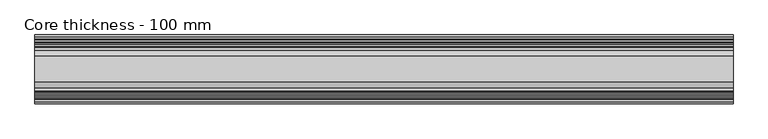
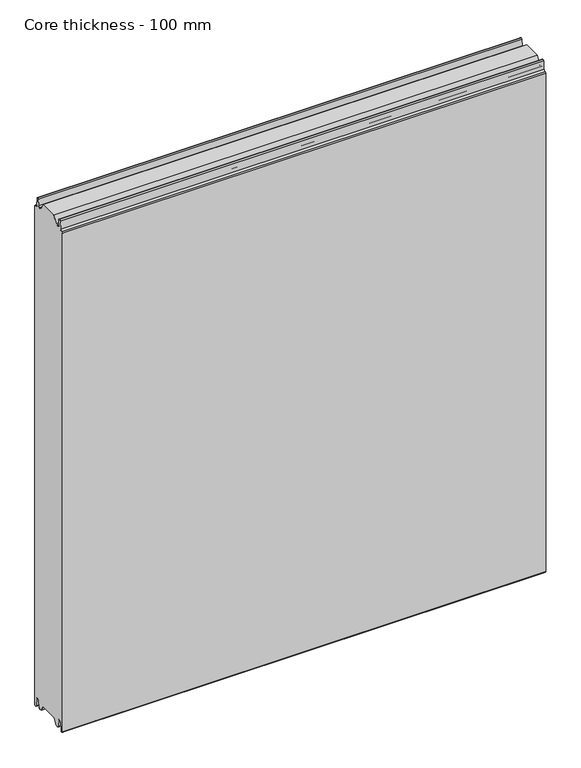
"""IFC4 building model written with IfcOpenShell, lengths in millimetres: plate geometry, Core thickness - 100 mm."""

from ifc_helpers import new_model, si_unit, frame, origin, place, context, project, spatial, polyline, circle_curve, source, transform, mapped, element, save
from ifc_brep_helpers import plane_surface, cylinder_surface, revolved_surface, advanced_brep


def core_thickness_100_mm_695577f8(model_context):
    return source(origin(), model_context, "Body", "AdvancedBrep", [
        advanced_brep(
        [(500.0000002, -69.873448, 15.0417681), (500.0000002, -30.126552, 15.0417681), (500.0000002, -23.4086055, 3.0684055), (500.0000002, -17.4169005, 3.0684055), (500.0000002, -19.6169005, 5.265779), (500.0000002, -18.8169005, 5.265779), (500.0000002, -16.0235822, 5.1291629), (500.0000002, -14.6379549, 19.2608832), (500.0000002, -10.8223285, 22.6899182), (500.0000002, -7.0067021, 19.2608832), (500.0000002, -5.3893281, 2.7656275), (500.0000002, -0.8003051, 2.9900682), (500.0000002, -0.8, 1093.8000005), (500.0000002, -3.3660185, 1096.1942726), (500.0000002, -6.8790665, 1099.1779769), (500.0000002, -8.5415667, 1116.1334653), (500.0000002, -10.8223285, 1118.1999998), (500.0000002, -13.1030903, 1116.1334653), (500.0000002, -14.4357929, 1102.5415123), (500.0000002, -17.0233841, 1100.1952279), (500.0000002, -18.1003051, 1100.1952279), (500.0000002, -18.7003051, 1099.5952279), (500.0000002, -18.7003051, 1098.4952279), (500.0000002, -19.5003051, 1098.4952279), (500.0000002, -19.5003051, 1099.5952279), (500.0000002, -18.1003051, 1100.9952279), (500.0000002, -19.5003051, 1100.9952279), (500.0000002, -23.1062917, 1100.9952279), (500.0000002, -31.1628062, 1115.044651), (500.0000002, -68.7531937, 1115.044651), (500.0000002, -76.8937083, 1100.9952279), (500.0000002, -80.4996949, 1100.9952279), (500.0000002, -81.8996949, 1100.9952279), (500.0000002, -80.4996949, 1099.5952279), (500.0000002, -80.4996949, 1098.4952279), (500.0000002, -81.2996949, 1098.4952279), (500.0000002, -81.2996949, 1099.5952279), (500.0000002, -81.8996949, 1100.1952279), (500.0000002, -82.9766159, 1100.1952279), (500.0000002, -85.5642071, 1102.5415123), (500.0000002, -86.8969097, 1116.1334653), (500.0000002, -89.1776715, 1118.1999998), (500.0000002, -91.4584333, 1116.1334653), (500.0000002, -93.1209335, 1099.1779769), (500.0000002, -96.6330399, 1096.2078763), (500.0000002, -99.1996949, 1093.8000005), (500.0000002, -99.2, 2.9900682), (500.0000002, -94.6106719, 2.7656275), (500.0000002, -92.9932979, 19.2608832), (500.0000002, -89.1776715, 22.6899182), (500.0000002, -85.3620451, 19.2608832), (500.0000002, -83.9764178, 5.1291629), (500.0000002, -81.1830995, 5.265779), (500.0000002, -80.3830995, 5.265779), (500.0000002, -82.5830995, 3.065779), (500.0000002, -76.5913945, 3.0684055), (-500.0000002, -76.8937083, 1100.9952279), (-500.0000002, -68.7531937, 1115.044651), (-500.0000002, -31.1628062, 1115.044651), (-500.0000002, -23.1062917, 1100.9952279), (-500.0000002, -19.5003051, 1100.9952279), (-500.0000002, -18.1003051, 1100.9952279), (-500.0000002, -19.5003051, 1099.5952279), (-500.0000002, -19.5003051, 1098.4952279), (-500.0000002, -18.7003051, 1098.4952279), (-500.0000002, -18.7003051, 1099.5952279), (-500.0000002, -18.1003051, 1100.1952279), (-500.0000002, -17.0233841, 1100.1952279), (-500.0000002, -14.4357929, 1102.5415123), (-500.0000002, -13.1030903, 1116.1334653), (-500.0000002, -10.8223285, 1118.1999998), (-500.0000002, -8.5415667, 1116.1334653), (-500.0000002, -6.8790665, 1099.1779769), (-500.0000002, -3.3669601, 1096.2078763), (-500.0000002, -0.8003051, 1093.8000005), (-500.0000002, -0.8, 2.9900682), (-500.0000002, -5.3893281, 2.7656275), (-500.0000002, -7.0067021, 19.2608832), (-500.0000002, -10.8223285, 22.6899182), (-500.0000002, -14.6379549, 19.2608832), (-500.0000002, -16.0235822, 5.1291629), (-500.0000002, -18.8169005, 5.265779), (-500.0000002, -19.6169005, 5.265779), (-500.0000002, -17.4169005, 3.065779), (-500.0000002, -23.4086055, 3.0684055), (-500.0000002, -30.126552, 15.0417681), (-500.0000002, -69.873448, 15.0417681), (-500.0000002, -76.5913945, 3.0684055), (-500.0000002, -82.5830995, 3.0684055), (-500.0000002, -80.3830995, 5.265779), (-500.0000002, -81.1830995, 5.265779), (-500.0000002, -83.9764178, 5.1291629), (-500.0000002, -85.3620451, 19.2608832), (-500.0000002, -89.1776715, 22.6899182), (-500.0000002, -92.9932979, 19.2608832), (-500.0000002, -94.6106719, 2.7656275), (-500.0000002, -99.1996949, 2.9900682), (-500.0000002, -99.2, 1093.8000005), (-500.0000002, -96.6339815, 1096.1942726), (-500.0000002, -93.1209335, 1099.1779769), (-500.0000002, -91.4584333, 1116.1334653), (-500.0000002, -89.1776715, 1118.1999998), (-500.0000002, -86.8969097, 1116.1334653), (-500.0000002, -85.5642071, 1102.5415123), (-500.0000002, -82.9766159, 1100.1952279), (-500.0000002, -81.8996949, 1100.1952279), (-500.0000002, -81.2996949, 1099.5952279), (-500.0000002, -81.2996949, 1098.4952279), (-500.0000002, -80.4996949, 1098.4952279), (-500.0000002, -80.4996949, 1099.5952279), (-500.0000002, -81.8996949, 1100.9952279), (-500.0000002, -80.4996949, 1100.9952279)],
        [
            (0, 1),
            (1, 2),
            (2, 3),
            (3, 4, circle_curve(frame((500.0000002, -17.4169005, 5.265779), z_axis=(-1.0, 0.0, 0.0), x_axis=(0.0, 0.0, -1.0)), 2.2)),
            (4, 5),
            (5, 6, circle_curve(frame((500.0000002, -17.4169005, 5.265779), z_axis=(1.0, 0.0, 0.0), x_axis=(0.0, 0.0, -1.0)), 1.4)),
            (6, 7),
            (7, 8, circle_curve(frame((500.0000002, -10.8560907, 18.8900682), z_axis=(-1.0, 0.0, 0.0), x_axis=(0.0, 0.0, -1.0)), 3.8)),
            (8, 9, circle_curve(frame((500.0000002, -10.7885662, 18.8900682), z_axis=(-1.0, 0.0, 0.0), x_axis=(0.0, 0.0, -1.0)), 3.8)),
            (9, 10),
            (10, 11, circle_curve(frame((500.0000002, -3.1003051, 2.9900682), z_axis=(1.0, 0.0, 0.0), x_axis=(0.0, 0.0, -1.0)), 2.3)),
            (11, 12),
            (12, 13, circle_curve(frame((500.0000002, -3.2003051, 1093.8000005), z_axis=(1.0, 0.0, 0.0), x_axis=(0.0, 0.0, -1.0)), 2.4)),
            (13, 14, circle_curve(frame((500.0000002, -3.5948161, 1099.5000005), z_axis=(-1.0, 0.0, 0.0), x_axis=(0.0, 0.0, -1.0)), 3.3)),
            (14, 15),
            (15, 16, circle_curve(frame((500.0000002, -10.8206374, 1115.9100005), z_axis=(1.0, 0.0, 0.0), x_axis=(0.0, 0.0, -1.0)), 2.29)),
            (16, 17, circle_curve(frame((500.0000002, -10.8240195, 1115.9100005), z_axis=(1.0, 0.0, 0.0), x_axis=(0.0, 0.0, -1.0)), 2.29)),
            (17, 18),
            (18, 19, circle_curve(frame((500.0000002, -17.0233841, 1102.7952279), z_axis=(-1.0, 0.0, 0.0), x_axis=(0.0, 0.0, -1.0)), 2.6)),
            (19, 20),
            (20, 21, circle_curve(frame((500.0000002, -18.1003051, 1099.5952279), z_axis=(1.0, 0.0, 0.0), x_axis=(0.0, 0.0, -1.0)), 0.6)),
            (21, 22),
            (22, 23),
            (23, 24),
            (24, 25, circle_curve(frame((500.0000002, -18.1003051, 1099.5952279), z_axis=(-1.0, 0.0, 0.0), x_axis=(0.0, 0.0, -1.0)), 1.4)),
            (25, 26),
            (26, 27),
            (27, 28),
            (28, 29),
            (29, 30),
            (30, 31),
            (31, 32),
            (32, 33, circle_curve(frame((500.0000002, -81.8996949, 1099.5952279), z_axis=(-1.0, 0.0, 0.0), x_axis=(0.0, 0.0, -1.0)), 1.4)),
            (33, 34),
            (34, 35),
            (35, 36),
            (36, 37, circle_curve(frame((500.0000002, -81.8996949, 1099.5952279), z_axis=(1.0, 0.0, 0.0), x_axis=(0.0, 0.0, -1.0)), 0.6)),
            (37, 38),
            (38, 39, circle_curve(frame((500.0000002, -82.9766159, 1102.7952279), z_axis=(-1.0, 0.0, 0.0), x_axis=(0.0, 0.0, -1.0)), 2.6)),
            (39, 40),
            (40, 41, circle_curve(frame((500.0000002, -89.1759805, 1115.9100005), z_axis=(1.0, 0.0, 0.0), x_axis=(0.0, 0.0, -1.0)), 2.29)),
            (41, 42, circle_curve(frame((500.0000002, -89.1793626, 1115.9100005), z_axis=(1.0, 0.0, 0.0), x_axis=(0.0, 0.0, -1.0)), 2.29)),
            (42, 43),
            (43, 44, circle_curve(frame((500.0000002, -96.4051839, 1099.5000005), z_axis=(-1.0, 0.0, 0.0), x_axis=(0.0, 0.0, -1.0)), 3.3)),
            (44, 45, circle_curve(frame((500.0000002, -96.7996949, 1093.8000005), z_axis=(1.0, 0.0, 0.0), x_axis=(0.0, 0.0, -1.0)), 2.4)),
            (45, 46),
            (46, 47, circle_curve(frame((500.0000002, -96.8996949, 2.9900682), z_axis=(1.0, 0.0, 0.0), x_axis=(0.0, 0.0, -1.0)), 2.3)),
            (47, 48),
            (48, 49, circle_curve(frame((500.0000002, -89.2114338, 18.8900682), z_axis=(-1.0, 0.0, 0.0), x_axis=(0.0, 0.0, -1.0)), 3.8)),
            (49, 50, circle_curve(frame((500.0000002, -89.1439093, 18.8900682), z_axis=(-1.0, 0.0, 0.0), x_axis=(0.0, 0.0, -1.0)), 3.8)),
            (50, 51),
            (51, 52, circle_curve(frame((500.0000002, -82.5830995, 5.265779), z_axis=(1.0, 0.0, 0.0), x_axis=(0.0, 0.0, -1.0)), 1.4)),
            (52, 53),
            (53, 54, circle_curve(frame((500.0000002, -82.5830995, 5.265779), z_axis=(-1.0, 0.0, 0.0), x_axis=(0.0, 0.0, -1.0)), 2.2)),
            (54, 55),
            (55, 0),
            (56, 57),
            (57, 58),
            (58, 59),
            (59, 60),
            (60, 61),
            (61, 62, circle_curve(frame((-500.0000002, -18.1003051, 1099.5952279), z_axis=(1.0, 0.0, 0.0), x_axis=(0.0, 0.0, -1.0)), 1.4)),
            (62, 63),
            (63, 64),
            (64, 65),
            (65, 66, circle_curve(frame((-500.0000002, -18.1003051, 1099.5952279), z_axis=(-1.0, 0.0, 0.0), x_axis=(0.0, 0.0, -1.0)), 0.6)),
            (66, 67),
            (67, 68, circle_curve(frame((-500.0000002, -17.0233841, 1102.7952279), z_axis=(1.0, 0.0, 0.0), x_axis=(0.0, 0.0, -1.0)), 2.6)),
            (68, 69),
            (69, 70, circle_curve(frame((-500.0000002, -10.8240195, 1115.9100005), z_axis=(-1.0, 0.0, 0.0), x_axis=(0.0, 0.0, -1.0)), 2.29)),
            (70, 71, circle_curve(frame((-500.0000002, -10.8206374, 1115.9100005), z_axis=(-1.0, 0.0, 0.0), x_axis=(0.0, 0.0, -1.0)), 2.29)),
            (71, 72),
            (72, 73, circle_curve(frame((-500.0000002, -3.5948161, 1099.5000005), z_axis=(1.0, 0.0, 0.0), x_axis=(0.0, 0.0, -1.0)), 3.3)),
            (73, 74, circle_curve(frame((-500.0000002, -3.2003051, 1093.8000005), z_axis=(-1.0, 0.0, 0.0), x_axis=(0.0, 0.0, -1.0)), 2.4)),
            (74, 75),
            (75, 76, circle_curve(frame((-500.0000002, -3.1003051, 2.9900682), z_axis=(-1.0, 0.0, 0.0), x_axis=(0.0, 0.0, -1.0)), 2.3)),
            (76, 77),
            (77, 78, circle_curve(frame((-500.0000002, -10.7885662, 18.8900682), z_axis=(1.0, 0.0, 0.0), x_axis=(0.0, 0.0, -1.0)), 3.8)),
            (78, 79, circle_curve(frame((-500.0000002, -10.8560907, 18.8900682), z_axis=(1.0, 0.0, 0.0), x_axis=(0.0, 0.0, -1.0)), 3.8)),
            (79, 80),
            (80, 81, circle_curve(frame((-500.0000002, -17.4169005, 5.265779), z_axis=(-1.0, 0.0, 0.0), x_axis=(0.0, 0.0, -1.0)), 1.4)),
            (81, 82),
            (82, 83, circle_curve(frame((-500.0000002, -17.4169005, 5.265779), z_axis=(1.0, 0.0, 0.0), x_axis=(0.0, 0.0, -1.0)), 2.2)),
            (83, 84),
            (84, 85),
            (85, 86),
            (86, 87),
            (87, 88),
            (88, 89, circle_curve(frame((-500.0000002, -82.5830995, 5.265779), z_axis=(1.0, 0.0, 0.0), x_axis=(0.0, 0.0, -1.0)), 2.2)),
            (89, 90),
            (90, 91, circle_curve(frame((-500.0000002, -82.5830995, 5.265779), z_axis=(-1.0, 0.0, 0.0), x_axis=(0.0, 0.0, -1.0)), 1.4)),
            (91, 92),
            (92, 93, circle_curve(frame((-500.0000002, -89.1439093, 18.8900682), z_axis=(1.0, 0.0, 0.0), x_axis=(0.0, 0.0, -1.0)), 3.8)),
            (93, 94, circle_curve(frame((-500.0000002, -89.2114338, 18.8900682), z_axis=(1.0, 0.0, 0.0), x_axis=(0.0, 0.0, -1.0)), 3.8)),
            (94, 95),
            (95, 96, circle_curve(frame((-500.0000002, -96.8996949, 2.9900682), z_axis=(-1.0, 0.0, 0.0), x_axis=(0.0, 0.0, -1.0)), 2.3)),
            (96, 97),
            (97, 98, circle_curve(frame((-500.0000002, -96.7996949, 1093.8000005), z_axis=(-1.0, 0.0, 0.0), x_axis=(0.0, 0.0, -1.0)), 2.4)),
            (98, 99, circle_curve(frame((-500.0000002, -96.4051839, 1099.5000005), z_axis=(1.0, 0.0, 0.0), x_axis=(0.0, 0.0, -1.0)), 3.3)),
            (99, 100),
            (100, 101, circle_curve(frame((-500.0000002, -89.1793626, 1115.9100005), z_axis=(-1.0, 0.0, 0.0), x_axis=(0.0, 0.0, -1.0)), 2.29)),
            (101, 102, circle_curve(frame((-500.0000002, -89.1759805, 1115.9100005), z_axis=(-1.0, 0.0, 0.0), x_axis=(0.0, 0.0, -1.0)), 2.29)),
            (102, 103),
            (103, 104, circle_curve(frame((-500.0000002, -82.9766159, 1102.7952279), z_axis=(1.0, 0.0, 0.0), x_axis=(0.0, 0.0, -1.0)), 2.6)),
            (104, 105),
            (105, 106, circle_curve(frame((-500.0000002, -81.8996949, 1099.5952279), z_axis=(-1.0, 0.0, 0.0), x_axis=(0.0, 0.0, -1.0)), 0.6)),
            (106, 107),
            (107, 108),
            (108, 109),
            (109, 110, circle_curve(frame((-500.0000002, -81.8996949, 1099.5952279), z_axis=(1.0, 0.0, 0.0), x_axis=(0.0, 0.0, -1.0)), 1.4)),
            (110, 111),
            (111, 56),
            (74, 12),
            (11, 75),
            (73, 13),
            (72, 14),
            (71, 15),
            (70, 16),
            (69, 17),
            (68, 18),
            (67, 19),
            (66, 20),
            (65, 21),
            (64, 22),
            (63, 23),
            (62, 24),
            (61, 25),
            (30, 56),
            (110, 32),
            (29, 57),
            (28, 58),
            (27, 59),
            (1, 85),
            (84, 2),
            (0, 86),
            (55, 87),
            (83, 3),
            (54, 88),
            (82, 4),
            (81, 5),
            (80, 6),
            (79, 7),
            (78, 8),
            (77, 9),
            (76, 10),
            (109, 33),
            (108, 34),
            (107, 35),
            (106, 36),
            (105, 37),
            (104, 38),
            (103, 39),
            (102, 40),
            (101, 41),
            (100, 42),
            (99, 43),
            (98, 44),
            (97, 45),
            (96, 46),
            (95, 47),
            (94, 48),
            (93, 49),
            (92, 50),
            (91, 51),
            (90, 52),
            (89, 53),
        ],
        [
            plane_surface(frame((500.0000002, 0.0, 0.0), z_axis=(1.0, 0.0, 0.0), x_axis=(0.0, -1.0, 0.0))),
            plane_surface(frame((-500.0000002, 0.0, 0.0), z_axis=(-1.0, 0.0, 0.0), x_axis=(0.0, -1.0, 0.0))),
            plane_surface(frame((630.0000002, -0.8, 1093.8000005), z_axis=(0.0, 1.0, 0.0), x_axis=(-1.0, 0.0, 0.0))),
            cylinder_surface(frame((630.0000002, -3.2003051, 1093.8000005), z_axis=(-1.0, 0.0, 0.0), x_axis=(0.0, 0.0, -1.0)), 2.4),
            revolved_surface(polyline([(500.0000002, -3.5948161, 1096.2000005), (-500.00000020000004, -3.5948161, 1096.2000005)]), (630.0000002, -3.5948161, 1099.5000005), (1.0, 0.0, 0.0)),
            plane_surface(frame((630.0000002, -8.5415667, 1116.1334653), z_axis=(0.0, 0.9952273999818317, 0.09758289975914436), x_axis=(-1.0, 0.0, 0.0))),
            cylinder_surface(frame((630.0000002, -10.8206374, 1115.9100005), z_axis=(-1.0, 0.0, 0.0), x_axis=(0.0, 0.0, -1.0)), 2.29),
            cylinder_surface(frame((630.0000002, -10.8240195, 1115.9100005), z_axis=(-1.0, 0.0, 0.0), x_axis=(0.0, 0.0, -1.0)), 2.29),
            plane_surface(frame((630.0000002, -14.4357929, 1102.5415123), z_axis=(0.0, -0.9952273999818314, 0.09758289975914705), x_axis=(-1.0, 0.0, 0.0))),
            revolved_surface(polyline([(500.0000002, -17.0233841, 1100.1952279000002), (-500.00000020000004, -17.0233841, 1100.1952279000002)]), (630.0000002, -17.0233841, 1102.7952279), (1.0, 0.0, 0.0)),
            plane_surface(frame((630.0000002, -18.1003051, 1100.1952279), z_axis=(0.0, 0.0, 1.0), x_axis=(-1.0, 0.0, 0.0))),
            cylinder_surface(frame((630.0000002, -18.1003051, 1099.5952279), z_axis=(-1.0, 0.0, 0.0), x_axis=(0.0, 0.0, -1.0)), 0.6),
            plane_surface(frame((630.0000002, -18.7003051, 1098.4952279), z_axis=(0.0, -1.0, 0.0), x_axis=(-1.0, 0.0, 0.0))),
            plane_surface(frame((630.0000002, -19.5003051, 1098.4952279), z_axis=(0.0, 0.0, 1.0), x_axis=(-1.0, 0.0, 0.0))),
            plane_surface(frame((630.0000002, -19.5003051, 1099.5952279), z_axis=(0.0, 1.0, 0.0), x_axis=(-1.0, 0.0, 0.0))),
            revolved_surface(polyline([(500.0000002, -18.1003051, 1098.1952279), (-500.00000020000004, -18.1003051, 1098.1952279)]), (630.0000002, -18.1003051, 1099.5952279), (1.0, 0.0, 0.0)),
            plane_surface(frame((500.0000002, -76.8937083, 1100.9952279), z_axis=(0.0, 0.0, 1.0), x_axis=(-1.0, 0.0, 0.0))),
            plane_surface(frame((500.0000002, -68.7531937, 1115.044651), z_axis=(0.0, -0.8652489672717159, 0.5013424225369615), x_axis=(-1.0, 0.0, 0.0))),
            plane_surface(frame((500.0000002, -31.1628062, 1115.044651), z_axis=(0.0, 0.0, 1.0), x_axis=(-1.0, 0.0, 0.0))),
            plane_surface(frame((500.0000002, -23.1062917, 1100.9952279), z_axis=(0.0, 0.8674901459133322, 0.4974543664933155), x_axis=(-1.0, 0.0, 0.0))),
            plane_surface(frame((500.0000002, -17.0229218, 1100.9952279), z_axis=(0.0, 0.0, 1.0), x_axis=(-1.0, 0.0, 0.0))),
            plane_surface(frame((500.0000002, -30.126552, 15.0417681), z_axis=(0.0, -0.8721062992196836, -0.4893164649399687), x_axis=(-1.0, 0.0, 0.0))),
            plane_surface(frame((500.0000002, -69.873448, 15.0417681), z_axis=(0.0, 0.0, -1.0), x_axis=(-1.0, 0.0, 0.0))),
            plane_surface(frame((500.0000002, -76.8190247, 2.6627014), z_axis=(0.0, 0.8721062992196862, -0.4893164649399642), x_axis=(-1.0, 0.0, 0.0))),
            plane_surface(frame((-500.0000002, -82.5830995, 3.0684055), z_axis=(0.0, 0.0, -1.0), x_axis=(1.0, 0.0, 0.0))),
            revolved_surface(polyline([(500.0000002, -17.4169005, 3.065779), (-500.00000020000004, -17.4169005, 3.065779)]), (630.0000002, -17.4169005, 5.265779), (1.0, 0.0, 0.0)),
            plane_surface(frame((630.0000002, -18.8169005, 5.265779), z_axis=(0.0, 0.0, -1.0), x_axis=(-1.0, 0.0, 0.0))),
            cylinder_surface(frame((630.0000002, -17.4169005, 5.265779), z_axis=(-1.0, 0.0, 0.0), x_axis=(0.0, 0.0, -1.0)), 1.4),
            plane_surface(frame((630.0000002, -14.6379549, 19.2608832), z_axis=(0.0, 0.9952273999818297, -0.09758289975916531), x_axis=(-1.0, 0.0, 0.0))),
            revolved_surface(polyline([(500.0000002, -10.8560907, 15.090068200000001), (-500.00000020000004, -10.8560907, 15.090068200000001)]), (630.0000002, -10.8560907, 18.8900682), (1.0, 0.0, 0.0)),
            revolved_surface(polyline([(500.0000002, -10.7885662, 15.090068200000001), (-500.00000020000004, -10.7885662, 15.090068200000001)]), (630.0000002, -10.7885662, 18.8900682), (1.0, 0.0, 0.0)),
            plane_surface(frame((630.0000002, -5.3893281, 2.7656275), z_axis=(0.0, -0.9952273999818314, -0.09758289975914787), x_axis=(-1.0, 0.0, 0.0))),
            cylinder_surface(frame((630.0000002, -3.1003051, 2.9900682), z_axis=(-1.0, 0.0, 0.0), x_axis=(0.0, 0.0, -1.0)), 2.3),
            revolved_surface(polyline([(500.0000002, -81.8996949, 1098.1952279), (-500.00000020000004, -81.8996949, 1098.1952279)]), (630.0000002, -81.8996949, 1099.5952279), (1.0, 0.0, 0.0)),
            plane_surface(frame((630.0000002, -80.4996949, 1098.4952279), z_axis=(0.0, -1.0, 0.0), x_axis=(-1.0, 0.0, 0.0))),
            plane_surface(frame((630.0000002, -81.2996949, 1098.4952279), z_axis=(0.0, 0.0, 1.0), x_axis=(-1.0, 0.0, 0.0))),
            plane_surface(frame((630.0000002, -81.2996949, 1099.5952279), z_axis=(0.0, 1.0, 0.0), x_axis=(-1.0, 0.0, 0.0))),
            cylinder_surface(frame((630.0000002, -81.8996949, 1099.5952279), z_axis=(-1.0, 0.0, 0.0), x_axis=(0.0, 0.0, -1.0)), 0.6),
            plane_surface(frame((630.0000002, -82.9766159, 1100.1952279), z_axis=(0.0, 0.0, 1.0), x_axis=(-1.0, 0.0, 0.0))),
            revolved_surface(polyline([(500.0000002, -82.9766159, 1100.1952279000002), (-500.00000020000004, -82.9766159, 1100.1952279000002)]), (630.0000002, -82.9766159, 1102.7952279), (1.0, 0.0, 0.0)),
            plane_surface(frame((630.0000002, -86.8969097, 1116.1334653), z_axis=(0.0, 0.9952273999818314, 0.09758289975914705), x_axis=(-1.0, 0.0, 0.0))),
            cylinder_surface(frame((630.0000002, -89.1759805, 1115.9100005), z_axis=(-1.0, 0.0, 0.0), x_axis=(0.0, 0.0, -1.0)), 2.29),
            cylinder_surface(frame((630.0000002, -89.1793626, 1115.9100005), z_axis=(-1.0, 0.0, 0.0), x_axis=(0.0, 0.0, -1.0)), 2.29),
            plane_surface(frame((630.0000002, -93.1209335, 1099.1779769), z_axis=(0.0, -0.9952273999818317, 0.09758289975914436), x_axis=(-1.0, 0.0, 0.0))),
            revolved_surface(polyline([(500.0000002, -96.4051839, 1096.2000005), (-500.00000020000004, -96.4051839, 1096.2000005)]), (630.0000002, -96.4051839, 1099.5000005), (1.0, 0.0, 0.0)),
            cylinder_surface(frame((630.0000002, -96.7996949, 1093.8000005), z_axis=(-1.0, 0.0, 0.0), x_axis=(0.0, 0.0, -1.0)), 2.4),
            plane_surface(frame((630.0000002, -99.2, 2.9900682), z_axis=(0.0, -1.0, 0.0), x_axis=(-1.0, 0.0, 0.0))),
            cylinder_surface(frame((630.0000002, -96.8996949, 2.9900682), z_axis=(-1.0, 0.0, 0.0), x_axis=(0.0, 0.0, -1.0)), 2.3),
            plane_surface(frame((630.0000002, -92.9932979, 19.2608832), z_axis=(0.0, 0.9952273999818314, -0.09758289975914787), x_axis=(-1.0, 0.0, 0.0))),
            revolved_surface(polyline([(500.0000002, -89.2114338, 15.090068200000001), (-500.00000020000004, -89.2114338, 15.090068200000001)]), (630.0000002, -89.2114338, 18.8900682), (1.0, 0.0, 0.0)),
            revolved_surface(polyline([(500.0000002, -89.1439093, 15.090068200000001), (-500.00000020000004, -89.1439093, 15.090068200000001)]), (630.0000002, -89.1439093, 18.8900682), (1.0, 0.0, 0.0)),
            plane_surface(frame((630.0000002, -83.9764178, 5.1291629), z_axis=(0.0, -0.9952273999818297, -0.09758289975916531), x_axis=(-1.0, 0.0, 0.0))),
            cylinder_surface(frame((630.0000002, -82.5830995, 5.265779), z_axis=(-1.0, 0.0, 0.0), x_axis=(0.0, 0.0, -1.0)), 1.4),
            plane_surface(frame((630.0000002, -80.3830995, 5.265779), z_axis=(0.0, 0.0, -1.0), x_axis=(-1.0, 0.0, 0.0))),
            revolved_surface(polyline([(500.0000002, -82.5830995, 3.065779), (-500.00000020000004, -82.5830995, 3.065779)]), (630.0000002, -82.5830995, 5.265779), (1.0, 0.0, 0.0)),
        ],
        [
            (0, [[1, 2, 3, 4, 5, 6, 7, 8, 9, 10, 11, 12, 13, 14, 15, 16, 17, 18, 19, 20, 21, 22, 23, 24, 25, 26, 27, 28, 29, 30, 31, 32, 33, 34, 35, 36, 37, 38, 39, 40, 41, 42, 43, 44, 45, 46, 47, 48, 49, 50, 51, 52, 53, 54, 55, 56]]),
            (1, [[57, 58, 59, 60, 61, 62, 63, 64, 65, 66, 67, 68, 69, 70, 71, 72, 73, 74, 75, 76, 77, 78, 79, 80, 81, 82, 83, 84, 85, 86, 87, 88, 89, 90, 91, 92, 93, 94, 95, 96, 97, 98, 99, 100, 101, 102, 103, 104, 105, 106, 107, 108, 109, 110, 111, 112]]),
            (2, [[113, -12, 114, -75]]),
            (3, [[-113, -74, 115, -13]]),
            (4, [[-115, -73, 116, -14]]),
            (5, [[-116, -72, 117, -15]]),
            (6, [[-117, -71, 118, -16]]),
            (7, [[-118, -70, 119, -17]]),
            (8, [[-119, -69, 120, -18]]),
            (9, [[-120, -68, 121, -19]]),
            (10, [[-121, -67, 122, -20]]),
            (11, [[-122, -66, 123, -21]]),
            (12, [[-123, -65, 124, -22]]),
            (13, [[-124, -64, 125, -23]]),
            (14, [[-125, -63, 126, -24]]),
            (15, [[-126, -62, 127, -25]]),
            (16, [[128, -112, -111, 129, -32, -31]]),
            (17, [[-30, 130, -57, -128]]),
            (18, [[-29, 131, -58, -130]]),
            (19, [[-28, 132, -59, -131]]),
            (20, [[-132, -27, -26, -127, -61, -60]]),
            (21, [[133, -85, 134, -2]]),
            (22, [[-1, 135, -86, -133]]),
            (23, [[-135, -56, 136, -87]]),
            (24, [[-3, -134, -84, 137]]),
            (24, [[-55, 138, -88, -136]]),
            (25, [[139, -4, -137, -83]]),
            (26, [[-139, -82, 140, -5]]),
            (27, [[-140, -81, 141, -6]]),
            (28, [[-141, -80, 142, -7]]),
            (29, [[-142, -79, 143, -8]]),
            (30, [[-143, -78, 144, -9]]),
            (31, [[-144, -77, 145, -10]]),
            (32, [[-145, -76, -114, -11]]),
            (33, [[146, -33, -129, -110]]),
            (34, [[-146, -109, 147, -34]]),
            (35, [[-147, -108, 148, -35]]),
            (36, [[-148, -107, 149, -36]]),
            (37, [[-149, -106, 150, -37]]),
            (38, [[-150, -105, 151, -38]]),
            (39, [[-151, -104, 152, -39]]),
            (40, [[-152, -103, 153, -40]]),
            (41, [[-153, -102, 154, -41]]),
            (42, [[-154, -101, 155, -42]]),
            (43, [[-155, -100, 156, -43]]),
            (44, [[-156, -99, 157, -44]]),
            (45, [[-157, -98, 158, -45]]),
            (46, [[-158, -97, 159, -46]]),
            (47, [[-159, -96, 160, -47]]),
            (48, [[-160, -95, 161, -48]]),
            (49, [[-161, -94, 162, -49]]),
            (50, [[-162, -93, 163, -50]]),
            (51, [[-163, -92, 164, -51]]),
            (52, [[-164, -91, 165, -52]]),
            (53, [[-165, -90, 166, -53]]),
            (54, [[-166, -89, -138, -54]]),
        ],
    ),
    ])


if __name__ == "__main__":
    model = new_model("IFC4")
    model_context = context("Model", 3, world=origin())
    ifc_project = project(units=[si_unit("LENGTHUNIT", "METRE", prefix="MILLI")], contexts=[model_context])
    site = spatial("IfcSite", under=ifc_project)
    building = spatial("IfcBuilding", under=site)
    placement = place(None, origin())
    core_thickness_100_mm_shape = core_thickness_100_mm_695577f8(model_context)
    element("IfcPlate", 1, ObjectType="Core thickness - 100 mm", at=placement, inside=building, context=model_context, shape_type="MappedRepresentation", body=[
        mapped(core_thickness_100_mm_shape, transform((0.0, 0.0, 0.0), x_axis=(1.0, 0.0, 0.0), y_axis=(0.0, 1.0, 0.0), z_axis=(0.0, 0.0, 1.0))),
    ])
    save(model, "model.ifc")
